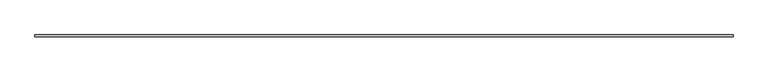
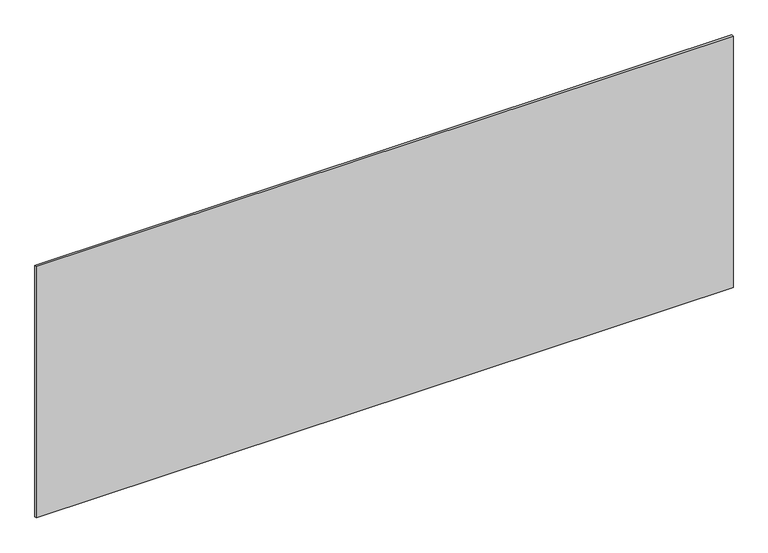
"""IFC4 building model written with IfcOpenShell, lengths in millimetres: plate geometry."""

from ifc_helpers import new_model, si_unit, origin, origin_with_axes, place, context, project, spatial, polyline, outline, extrude, source, transform, mapped, element, save


def plate_61a742bf(model_context):
    return source(origin(), model_context, "Body", "SweptSolid", [
        extrude(outline(polyline([(1715.0, -5.0), (-1715.0, -5.0), (-1715.0, 5.0), (1715.0, 5.0), (1715.0, -5.0)])), origin_with_axes(), (0.0, 0.0, 1.0), 1308.5896702),
    ])


if __name__ == "__main__":
    model = new_model("IFC4")
    model_context = context("Model", 3, world=origin())
    ifc_project = project(units=[si_unit("LENGTHUNIT", "METRE", prefix="MILLI")], contexts=[model_context])
    site = spatial("IfcSite", under=ifc_project)
    building = spatial("IfcBuilding", under=site)
    placement = place(None, origin())
    plate_shape = plate_61a742bf(model_context)
    element("IfcPlate", 1, at=placement, inside=building, context=model_context, shape_type="MappedRepresentation", body=[
        mapped(plate_shape, transform((0.0, 0.0, 0.0), x_axis=(1.0, 0.0, 0.0), y_axis=(0.0, 1.0, 0.0), z_axis=(0.0, 0.0, 1.0))),
    ])
    save(model, "model.ifc")
